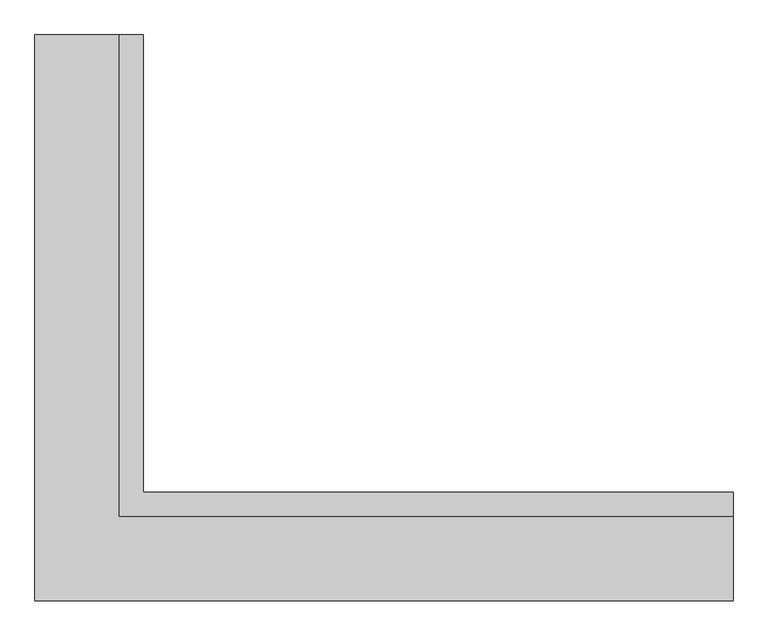
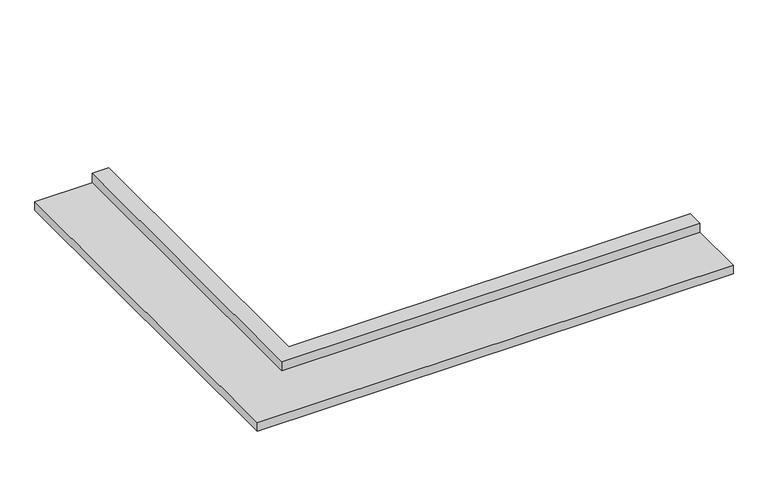
"""IFC4 building model written with IfcOpenShell, lengths in millimetres: fastener geometry."""

from ifc_helpers import new_model, si_unit, origin, place, context, project, spatial, faceted_brep, source, transform, mapped, element, save


def fastener_fc8d2bbd(model_context):
    return source(origin(), model_context, "Body", "Brep", [
        faceted_brep([(-11068.0854822, -148.812102, 7060.0), (-11068.0854822, 51.187898, 7060.0), (-11068.0854822, 51.187898, 7680.0), (-11068.0854822, -148.812102, 7680.0), (-11068.0854822, -148.812102, 7560.0), (-11068.0854822, -848.812102, 7560.0), (-11068.0854822, -848.812102, 7450.0), (-11068.0854822, -148.812102, 7450.0), (-15967.9488808, 51.187898, 7060.0), (-15967.9488808, 51.187898, 7680.0), (-15967.9488808, 3851.187898, 7680.0), (-16167.9488808, 3851.187898, 7680.0), (-16167.9488808, -148.812102, 7680.0), (-16167.9488808, -148.812102, 7560.0), (-16167.9488808, 3851.187898, 7560.0), (-16867.9488808, 3851.187898, 7560.0), (-16867.9488808, -848.812102, 7560.0), (-16867.9488808, -848.812102, 7450.0), (-16867.9488808, 3851.187898, 7450.0), (-16167.9488808, 3851.187898, 7450.0), (-16167.9488808, -148.812102, 7450.0), (-16167.9488808, -148.812102, 7060.0), (-16167.9488808, 3851.187898, 7060.0), (-15967.9488808, 3851.187898, 7060.0)], [[[0, 1, 2, 3, 4, 5, 6, 7]], [[2, 1, 8, 9]], [[3, 2, 9, 10, 11, 12]], [[4, 3, 12, 13]], [[5, 4, 13, 14, 15, 16]], [[6, 5, 16, 17]], [[7, 6, 17, 18, 19, 20]], [[0, 7, 20, 21]], [[0, 21, 22, 23, 8, 1]], [[23, 22, 19, 18, 15, 14, 11, 10]], [[9, 8, 23, 10]], [[13, 12, 11, 14]], [[17, 16, 15, 18]], [[21, 20, 19, 22]]]),
    ])


if __name__ == "__main__":
    model = new_model("IFC4")
    model_context = context("Model", 3, world=origin())
    ifc_project = project(units=[si_unit("LENGTHUNIT", "METRE", prefix="MILLI")], contexts=[model_context])
    site = spatial("IfcSite", under=ifc_project)
    building = spatial("IfcBuilding", under=site)
    placement = place(None, origin())
    fastener_shape = fastener_fc8d2bbd(model_context)
    element("IfcFastener", 1, at=placement, inside=building, context=model_context, shape_type="MappedRepresentation", body=[
        mapped(fastener_shape, transform((0.0, 0.0, 0.0), x_axis=(1.0, 0.0, 0.0), y_axis=(0.0, 1.0, 0.0), z_axis=(0.0, 0.0, 1.0))),
    ])
    save(model, "model.ifc")
